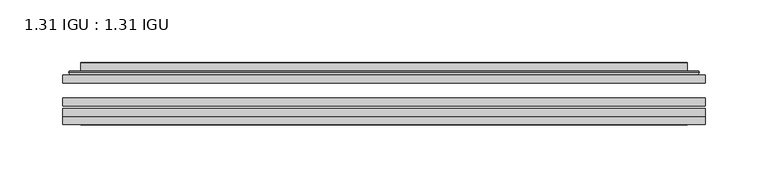
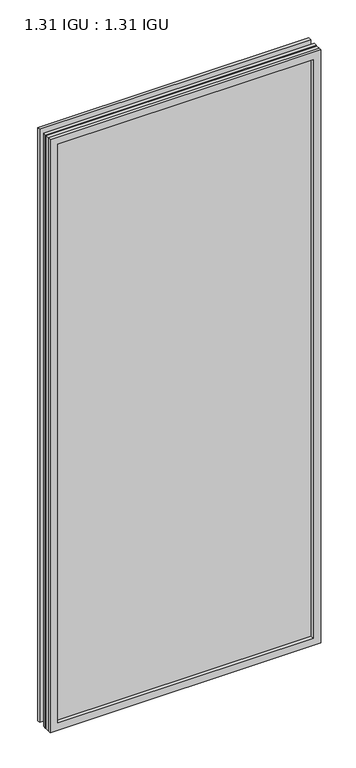
"""IFC4 building model written with IfcOpenShell, lengths in millimetres: plate geometry, 1.31 IGU : 1.31 IGU."""

import ifcopenshell
import ifcopenshell.guid

model = None  # the IFC model being written
_history = None  # IfcOwnerHistory: only IFC2X3 demands one
_inside = {}  # id of a spatial element -> (the spatial element, [elements in it])
_under = {}  # id of a project, library or spatial element -> (it, [spatial elements below it])
_declared = {}  # id of a project -> (the project, [libraries it declares])
_typed = {}  # id of a type object -> (the type object, [elements of that type])
_made_of = {}  # id of a material, layer set ... -> (it, [elements and type objects made of it])


def new_model(schema):
    """Start an empty IFC model of exactly this schema.

    Asked for "IFC4X3", IfcOpenShell would pick the latest addendum, in which some entities
    have other attributes; the version numbers below select the first issue.
    IFC2X3 requires an IfcOwnerHistory on every rooted entity: one is made here for all.
    """
    global model, _history
    if schema == "IFC4X3":
        model = ifcopenshell.file(schema_version=(4, 3, 0, 0))
    else:
        model = ifcopenshell.file(schema=schema)
    _inside.clear()
    _under.clear()
    _declared.clear()
    _typed.clear()
    _made_of.clear()
    _history = None
    if model.schema == "IFC2X3":
        org = make("IfcOrganization", Name="unknown")
        user = make(
            "IfcPersonAndOrganization",
            ThePerson=make("IfcPerson", FamilyName="unknown"),
            TheOrganization=org,
        )
        app = make(
            "IfcApplication",
            ApplicationDeveloper=org,
            Version="unknown",
            ApplicationFullName="unknown",
            ApplicationIdentifier="unknown",
        )
        _history = make(
            "IfcOwnerHistory",
            OwningUser=user,
            OwningApplication=app,
            ChangeAction="ADDED",
            CreationDate=0,
        )
    return model


def make(cls, **values):
    """One entity of the class cls with the attributes given. An attribute that is None is left unset."""
    return model.create_entity(
        cls, **{name: value for name, value in values.items() if value is not None}
    )


def rooted(cls, **values):
    """An entity with a GlobalId (a new one), such as an element, a storey or a relation."""
    return make(cls, GlobalId=ifcopenshell.guid.new(), OwnerHistory=_history, **values)


def si_unit(unit_type, name, prefix=None):
    """IfcSIUnit, for example si_unit("LENGTHUNIT", "METRE", prefix="MILLI")."""
    return make("IfcSIUnit", UnitType=unit_type, Prefix=prefix, Name=name)


def assignment(units):
    """IfcUnitAssignment: the units of a project."""
    return None if units is None else make("IfcUnitAssignment", Units=units)


def point(xyz):
    """IfcCartesianPoint."""
    return None if xyz is None else make("IfcCartesianPoint", Coordinates=xyz)


def direction(xyz):
    """IfcDirection."""
    return None if xyz is None else make("IfcDirection", DirectionRatios=xyz)


def frame(location, z_axis=None, x_axis=None):
    """IfcAxis2Placement3D, a coordinate frame: its origin and axes. An axis left out is left unset."""
    return make(
        "IfcAxis2Placement3D",
        Location=point(location),
        Axis=direction(z_axis),
        RefDirection=direction(x_axis),
    )


def origin():
    """The frame at (0, 0, 0) with its axes left unset."""
    return frame((0.0, 0.0, 0.0))


def place(relative_to, where):
    """IfcLocalPlacement: puts the frame where relative to a parent placement (None: the world)."""
    return make(
        "IfcLocalPlacement", PlacementRelTo=relative_to, RelativePlacement=where
    )


def context(
    kind, dimensions, precision=None, world=None, true_north=None, identifier=None
):
    """IfcGeometricRepresentationContext, for example the 3D "Model" context."""
    return make(
        "IfcGeometricRepresentationContext",
        ContextIdentifier=identifier,
        ContextType=kind,
        CoordinateSpaceDimension=dimensions,
        Precision=precision,
        WorldCoordinateSystem=world,
        TrueNorth=true_north,
    )


def project(units=None, contexts=None):
    """IfcProject with its units and contexts."""
    return rooted(
        "IfcProject",
        Name="project",
        RepresentationContexts=contexts,
        UnitsInContext=assignment(units),
    )


def spatial(cls, under=None, at=None, **own):
    """A site, building, storey or space (cls), placed at a placement, below another one or the project."""
    s = rooted(cls, ObjectPlacement=at, **own)
    if under is not None:
        _under.setdefault(under.id(), (under, []))[1].append(s)
    return s


def polyline(points):
    """IfcPolyline through the points."""
    return make("IfcPolyline", Points=[point(p) for p in points])


def ellipse_curve(where, semi_axis1, semi_axis2):
    """IfcEllipse in the frame where."""
    return make(
        "IfcEllipse", Position=where, SemiAxis1=semi_axis1, SemiAxis2=semi_axis2
    )


def outline(outer, holes=None, kind="AREA"):
    """IfcArbitraryClosedProfileDef: a profile drawn as a closed curve; with holes, ...WithVoids."""
    if holes is None:
        return make("IfcArbitraryClosedProfileDef", ProfileType=kind, OuterCurve=outer)
    return make(
        "IfcArbitraryProfileDefWithVoids",
        ProfileType=kind,
        OuterCurve=outer,
        InnerCurves=holes,
    )


def extrude(swept, where, along, depth):
    """IfcExtrudedAreaSolid: the profile swept, set in the frame where, extruded along a direction by depth."""
    return make(
        "IfcExtrudedAreaSolid",
        SweptArea=swept,
        Position=where,
        ExtrudedDirection=direction(along),
        Depth=depth,
    )


def faces_of(points, faces, orient=None, outer=None):
    """IfcFace entities. A face is a list of loops; a loop is a list of indices into points, from 0.

    orient and outer hold one flag for each loop. By default every Orientation is true, the
    first loop of a face is its IfcFaceOuterBound and the others are IfcFaceBound.
    """
    made = []
    for i, loops in enumerate(faces):
        bounds = []
        for j, loop in enumerate(loops):
            is_outer = j == 0 if outer is None else outer[i][j]
            bounds.append(
                make(
                    "IfcFaceOuterBound" if is_outer else "IfcFaceBound",
                    Bound=make("IfcPolyLoop", Polygon=[points[k] for k in loop]),
                    Orientation=True if orient is None else orient[i][j],
                )
            )
        made.append(make("IfcFace", Bounds=bounds))
    return made


def faceted_brep(points, faces, orient=None, outer=None, voids=None):
    """IfcFacetedBrep: a solid bounded by flat faces; with voids (closed shells), ...WithVoids."""
    shared = [point(p) for p in points]
    hull = make("IfcClosedShell", CfsFaces=faces_of(shared, faces, orient, outer))
    if voids is None:
        return make("IfcFacetedBrep", Outer=hull)
    return make(
        "IfcFacetedBrepWithVoids",
        Outer=hull,
        Voids=[
            make(cls, CfsFaces=faces_of(shared, fs, o, b)) for cls, fs, o, b in voids
        ],
    )


def shape(context_of_items, identifier, shape_type, items):
    """IfcShapeRepresentation: the items that make up one representation, for example the "Body"."""
    return make(
        "IfcShapeRepresentation",
        ContextOfItems=context_of_items,
        RepresentationIdentifier=identifier,
        RepresentationType=shape_type,
        Items=items,
    )


def source(mapping_origin, context_of_items, identifier, shape_type, items):
    """IfcRepresentationMap: a shape defined once, which mapped items show again and again."""
    return make(
        "IfcRepresentationMap",
        MappingOrigin=mapping_origin,
        MappedRepresentation=shape(context_of_items, identifier, shape_type, items),
    )


def transform(
    local_origin,
    x_axis=None,
    y_axis=None,
    z_axis=None,
    scale=None,
    scale2=None,
    scale3=None,
    uniform=True,
):
    """IfcCartesianTransformationOperator3D, or its non-uniform kind. x_axis, y_axis, z_axis: its Axis1, 2, 3."""
    if uniform:
        return make(
            "IfcCartesianTransformationOperator3D",
            Axis1=direction(x_axis),
            Axis2=direction(y_axis),
            LocalOrigin=point(local_origin),
            Scale=scale,
            Axis3=direction(z_axis),
        )
    return make(
        "IfcCartesianTransformationOperator3DnonUniform",
        Axis1=direction(x_axis),
        Axis2=direction(y_axis),
        LocalOrigin=point(local_origin),
        Scale=scale,
        Axis3=direction(z_axis),
        Scale2=scale2,
        Scale3=scale3,
    )


def mapped(mapping_source, mapping_target):
    """IfcMappedItem: shows the shape of a source again, moved by a transform."""
    return make(
        "IfcMappedItem", MappingSource=mapping_source, MappingTarget=mapping_target
    )


def made_of(thing, what):
    """Note that an element or type object is made of a material, layer set ...; save() writes the relation."""
    if what is not None:
        _made_of.setdefault(what.id(), (what, []))[1].append(thing)
    return thing


def element(
    cls,
    number,
    at=None,
    inside=None,
    cuts=None,
    type_object=None,
    material=None,
    context=None,
    identifier="Body",
    shape_type=None,
    held_by="IfcProductDefinitionShape",
    body=None,
    shapes=None,
    **own,
):
    """One element of the class cls, such as IfcWall. Its Tag is "e" and its number.

    at: its placement. inside: the storey or other place that contains it. cuts: it is an
    opening in that element (IfcRelVoidsElement). A single representation is given by context,
    identifier, shape_type and body (its items); several are given by shapes. held_by: the class
    of the entity that holds the representations. save() writes the other relations.
    """
    e = rooted(cls, Tag="e%d" % number, ObjectPlacement=at, **own)
    if body is not None:
        shapes = [shape(context, identifier, shape_type, body)]
    if shapes is not None:
        e.Representation = make(held_by, Representations=shapes)
    if inside is not None:
        _inside.setdefault(inside.id(), (inside, []))[1].append(e)
    if cuts is not None:
        rooted(
            "IfcRelVoidsElement", RelatingBuildingElement=cuts, RelatedOpeningElement=e
        )
    if type_object is not None:
        _typed.setdefault(type_object.id(), (type_object, []))[1].append(e)
    return made_of(e, material)


def aggregate(whole, parts):
    """IfcRelAggregates: a whole, such as a stair, and the parts it consists of."""
    return rooted("IfcRelAggregates", RelatingObject=whole, RelatedObjects=parts)


def save(model, path):
    """Write the relations noted so far, then the file.

    IfcRelAggregates (storeys below a building ...), IfcRelContainedInSpatialStructure (elements
    in a storey), IfcRelDefinesByType, IfcRelAssociatesMaterial and IfcRelDeclares: one each for
    every whole, place, type object, material and project.
    """
    for whole, parts in _under.values():
        aggregate(whole, parts)
    for where, things in _inside.values():
        rooted(
            "IfcRelContainedInSpatialStructure",
            RelatedElements=things,
            RelatingStructure=where,
        )
    for kind, things in _typed.values():
        rooted("IfcRelDefinesByType", RelatedObjects=things, RelatingType=kind)
    for what, things in _made_of.values():
        rooted("IfcRelAssociatesMaterial", RelatedObjects=things, RelatingMaterial=what)
    for by, libraries in _declared.values():
        rooted("IfcRelDeclares", RelatingContext=by, RelatedDefinitions=libraries)
    model.write(path)


def plane_surface(at):
    """IfcPlane: the flat surface through the origin of the frame at, square to its z axis."""
    return make("IfcPlane", Position=at)


def cylinder_surface(at, radius):
    """IfcCylindricalSurface: all points at the distance radius from the z axis of the frame at."""
    return make("IfcCylindricalSurface", Position=at, Radius=radius)


def advanced_brep(points, edges, surfaces, faces):
    """IfcAdvancedBrep: a solid bounded by faces that lie on surfaces and meet in shared edges.

    An edge is (start, end): straight between two places in points (the first is 0);
    or (start, end, curve); or (start, end, curve, False) where it runs against its curve.
    A face is (place in surfaces, loops), or (place, loops, False) where it looks against
    its surface's normal. A loop lists edges by number (the first is 1), with a minus sign
    where the edge is run from its end to its start. The first loop is the outer one.
    """
    corners = [point(p) for p in points]
    vertices = [make("IfcVertexPoint", VertexGeometry=c) for c in corners]
    made = []
    for start, end, *more in edges:
        made.append(
            make(
                "IfcEdgeCurve",
                EdgeStart=vertices[start],
                EdgeEnd=vertices[end],
                EdgeGeometry=more[0] if more else make("IfcPolyline", Points=[corners[start], corners[end]]),
                SameSense=more[1] if len(more) > 1 else True,
            )
        )
    hull = []
    for where, loops, *sense in faces:
        bounds = []
        for j, loop in enumerate(loops):
            ring = [make("IfcOrientedEdge", EdgeElement=made[abs(k) - 1], Orientation=k > 0) for k in loop]
            bounds.append(
                make(
                    "IfcFaceOuterBound" if j == 0 else "IfcFaceBound",
                    Bound=make("IfcEdgeLoop", EdgeList=ring),
                    Orientation=True,
                )
            )
        hull.append(make("IfcAdvancedFace", Bounds=bounds, FaceSurface=surfaces[where], SameSense=sense[0] if sense else True))
    return make("IfcAdvancedBrep", Outer=make("IfcClosedShell", CfsFaces=hull))


def plate_1_31_igu_1_31_igu_84c90da4(model_context):
    return source(origin(), model_context, "Body", "SolidModel", [
        extrude(outline(polyline([(255.601675, -63.59525), (255.601675, -69.94525), (-255.5875, -69.94525), (-255.5875, -63.59525), (255.601675, -63.59525)])), frame((0.0, 0.0, -14.2875), z_axis=(0.0, 0.0, 1.0), x_axis=(1.0, 0.0, 0.0)), (0.0, 0.0, 1.0), 1184.2787979),
        extrude(outline(polyline([(-255.5875, -78.58125), (-255.5875, -72.230745), (255.601675, -72.230745), (255.601675, -78.58125), (-255.5875, -78.58125)])), frame((0.0, 0.0, -14.2875), z_axis=(0.0, 0.0, 1.0), x_axis=(1.0, 0.0, 0.0)), (0.0, 0.0, 1.0), 1184.2787979),
        extrude(outline(polyline([(255.601675, -45.25645), (255.601675, -51.60645), (-255.5875, -51.60645), (-255.5875, -45.25645), (255.601675, -45.25645)])), frame((0.0, 0.0, -14.2875), z_axis=(0.0, 0.0, 1.0), x_axis=(1.0, 0.0, 0.0)), (0.0, 0.0, 1.0), 1184.2787979),
        faceted_brep([(-255.6002, -84.93125, 1170.0002), (-255.6002, -78.58125, 1170.0002), (-255.6002, -78.58125, -14.3002), (-255.6002, -84.93125, -14.3002), (255.6002, -78.58125, -14.3002), (255.6002, -84.93125, -14.3002), (255.6002, -78.58125, 1170.0002), (255.6002, -84.93125, 1170.0002), (-240.4022559, -78.58125, 0.8977441), (240.4022559, -78.58125, 0.8977441), (240.4022559, -78.58125, 1154.8022559), (-240.4022559, -78.58125, 1154.8022559), (-241.2946902, -84.93125, 1155.6946902), (241.2946902, -84.93125, 1155.6946902), (241.2946902, -84.93125, 0.0053098), (-241.2946902, -84.93125, 0.0053098)], [[[0, 1, 2, 3]], [[3, 2, 4, 5]], [[5, 4, 6, 7]], [[1, 6, 4, 2], [8, 9, 10, 11]], [[7, 6, 1, 0]], [[3, 5, 7, 0], [12, 13, 14, 15]], [[11, 12, 15, 8]], [[8, 15, 14, 9]], [[9, 14, 13, 10]], [[10, 13, 12, 11]]]),
        advanced_brep(
        [(-248.346219, -45.25645, 1162.746219), (-250.7004244, -43.2667833, 1165.1004244), (-250.7004244, -43.2667833, -9.4004244), (-248.346219, -45.25645, -7.046219), (-239.2718939, -41.416413, 1153.6718939), (-234.3370621, -45.25645, 1148.7370621), (-234.3370621, -45.25645, 6.9629379), (-239.2718939, -41.416413, 2.0281061), (-240.3039217, -36.0191819, 1154.7039217), (-240.3039217, -36.0191819, 0.9960783), (-241.2945784, -35.6202069, 1155.6945784), (-241.2945784, -35.6202069, 0.0054216), (-241.2945784, -42.08145, 1155.6945784), (-241.2945784, -42.08145, 0.0054216), (-249.6986349, -42.08145, 1164.0986349), (-249.6986349, -42.08145, -8.3986349), (250.7004244, -43.2667833, -9.4004244), (248.346219, -45.25645, -7.046219), (234.3370621, -45.25645, 6.9629379), (239.2718939, -41.416413, 2.0281061), (240.3039217, -36.0191819, 0.9960783), (241.2945784, -35.6202069, 0.0054216), (241.2945784, -42.08145, 0.0054216), (249.6986349, -42.08145, -8.3986349), (250.7004244, -43.2667833, 1165.1004244), (248.346219, -45.25645, 1162.746219), (234.3370621, -45.25645, 1148.7370621), (239.2718939, -41.416413, 1153.6718939), (240.3039217, -36.0191819, 1154.7039217), (241.2945784, -35.6202069, 1155.6945784), (241.2945784, -42.08145, 1155.6945784), (249.6986349, -42.08145, 1164.0986349)],
        [
            (0, 1, ellipse_curve(frame((-248.346219, -42.86885, 1162.746219), z_axis=(-0.7071067811865475, 0.0, -0.7071067811865475), x_axis=(-0.7071067811865474, 0.0, 0.7071067811865476)), 3.3765763, 2.3876)),
            (1, 2),
            (2, 3, ellipse_curve(frame((-248.346219, -42.86885, -7.046219), z_axis=(-0.7071067811865475, 0.0, 0.7071067811865475), x_axis=(0.7071067811865474, 0.0, 0.7071067811865476)), 3.3765763, 2.3876)),
            (3, 0),
            (4, 5),
            (5, 6),
            (6, 7),
            (7, 4),
            (8, 4),
            (7, 9),
            (9, 8),
            (10, 8, ellipse_curve(frame((-240.9276219, -36.1384423, 1155.3276219), z_axis=(-0.7071067811865475, 0.0, -0.7071067811865475), x_axis=(-0.7071067811865474, 0.0, 0.7071067811865476)), 0.8980256, 0.635)),
            (9, 11, ellipse_curve(frame((-240.9276219, -36.1384423, 0.3723781), z_axis=(-0.7071067811865475, 0.0, 0.7071067811865475), x_axis=(0.7071067811865474, 0.0, 0.7071067811865476)), 0.8980256, 0.635)),
            (11, 10),
            (12, 10),
            (11, 13),
            (13, 12),
            (1, 14, ellipse_curve(frame((-249.6986349, -43.09745, 1164.0986349), z_axis=(-0.7071067811865475, 0.0, -0.7071067811865475), x_axis=(-0.7071067811865474, 0.0, 0.7071067811865476)), 1.436841, 1.016)),
            (14, 15),
            (15, 2, ellipse_curve(frame((-249.6986349, -43.09745, -8.3986349), z_axis=(-0.7071067811865475, 0.0, 0.7071067811865475), x_axis=(0.7071067811865474, 0.0, 0.7071067811865476)), 1.436841, 1.016)),
            (2, 16),
            (16, 17, ellipse_curve(frame((248.346219, -42.86885, -7.046219), z_axis=(-0.7071067811865475, 0.0, -0.7071067811865475), x_axis=(-0.7071067811865476, 0.0, 0.7071067811865474)), 3.3765763, 2.3876)),
            (17, 3),
            (6, 18),
            (18, 19),
            (19, 7),
            (19, 20),
            (20, 9),
            (20, 21, ellipse_curve(frame((240.9276219, -36.1384423, 0.3723781), z_axis=(-0.7071067811865475, 0.0, -0.7071067811865475), x_axis=(-0.7071067811865476, 0.0, 0.7071067811865474)), 0.8980256, 0.635)),
            (21, 11),
            (21, 22),
            (22, 13),
            (15, 23),
            (23, 16, ellipse_curve(frame((249.6986349, -43.09745, -8.3986349), z_axis=(-0.7071067811865475, 0.0, -0.7071067811865475), x_axis=(-0.7071067811865476, 0.0, 0.7071067811865474)), 1.436841, 1.016)),
            (16, 24),
            (24, 25, ellipse_curve(frame((248.346219, -42.86885, 1162.746219), z_axis=(0.7071067811865475, 0.0, -0.7071067811865475), x_axis=(-0.7071067811865474, 0.0, -0.7071067811865476)), 3.3765763, 2.3876)),
            (25, 17),
            (18, 26),
            (26, 27),
            (27, 19),
            (27, 28),
            (28, 20),
            (28, 29, ellipse_curve(frame((240.9276219, -36.1384423, 1155.3276219), z_axis=(0.7071067811865475, 0.0, -0.7071067811865475), x_axis=(-0.7071067811865474, 0.0, -0.7071067811865476)), 0.8980256, 0.635)),
            (29, 21),
            (29, 30),
            (30, 22),
            (23, 31),
            (31, 24, ellipse_curve(frame((249.6986349, -43.09745, 1164.0986349), z_axis=(0.7071067811865475, 0.0, -0.7071067811865475), x_axis=(-0.7071067811865474, 0.0, -0.7071067811865476)), 1.436841, 1.016)),
            (24, 1),
            (0, 25),
            (5, 26),
            (4, 27),
            (8, 28),
            (10, 29),
            (12, 30),
            (14, 31),
        ],
        [
            cylinder_surface(frame((-248.346219, -42.86885, 1187.45), z_axis=(0.0, 0.0, 1.0), x_axis=(-1.0, 0.0, 0.0)), 2.3876),
            plane_surface(frame((-234.3370621, -45.25645, 1148.7370621), z_axis=(0.6141233906514794, 0.7892100234124821, 0.0), x_axis=(0.0, 0.0, -1.0))),
            plane_surface(frame((-239.2718939, -41.416413, 1153.6718939), z_axis=(0.9822050625507729, 0.18781164793386076, 0.0), x_axis=(0.0, 0.0, -1.0))),
            cylinder_surface(frame((-240.9276219, -36.1384423, 1187.45), z_axis=(0.0, 0.0, 1.0), x_axis=(-1.0, 0.0, 0.0)), 0.635),
            plane_surface(frame((-241.2945784, -35.6202069, 1155.6945784), z_axis=(-1.0, 0.0, 0.0), x_axis=(0.0, 0.0, -1.0))),
            cylinder_surface(frame((-249.6986349, -43.09745, 1187.45), z_axis=(0.0, 0.0, 1.0), x_axis=(-1.0, 0.0, 0.0)), 1.016),
            cylinder_surface(frame((-273.05, -42.86885, -7.046219), z_axis=(-1.0, 0.0, 0.0), x_axis=(0.0, 0.0, -1.0)), 2.3876),
            plane_surface(frame((-234.3370621, -45.25645, 6.9629379), z_axis=(0.0, 0.7892100234124841, 0.6141233906514768), x_axis=(1.0, 0.0, 0.0))),
            plane_surface(frame((-239.2718939, -41.416413, 2.0281061), z_axis=(0.0, 0.18781164793386393, 0.9822050625507723), x_axis=(1.0, 0.0, 0.0))),
            cylinder_surface(frame((-273.05, -36.1384423, 0.3723781), z_axis=(-1.0, 0.0, 0.0), x_axis=(0.0, 0.0, -1.0)), 0.635),
            plane_surface(frame((-241.2945784, -35.6202069, 0.0054216), z_axis=(0.0, 0.0, -1.0), x_axis=(1.0, 0.0, 0.0))),
            cylinder_surface(frame((-273.05, -43.09745, -8.3986349), z_axis=(-1.0, 0.0, 0.0), x_axis=(0.0, 0.0, -1.0)), 1.016),
            cylinder_surface(frame((248.346219, -42.86885, -31.75), z_axis=(0.0, 0.0, -1.0), x_axis=(1.0, 0.0, 0.0)), 2.3876),
            plane_surface(frame((234.3370621, -45.25645, 6.9629379), z_axis=(-0.6141233906514743, 0.7892100234124861, 0.0), x_axis=(0.0, 0.0, 1.0))),
            plane_surface(frame((239.2718939, -41.416413, 2.0281061), z_axis=(-0.9822050625507718, 0.1878116479338671, 0.0), x_axis=(0.0, 0.0, 1.0))),
            cylinder_surface(frame((240.9276219, -36.1384423, -31.75), z_axis=(0.0, 0.0, -1.0), x_axis=(1.0, 0.0, 0.0)), 0.635),
            plane_surface(frame((241.2945784, -35.6202069, 0.0054216), z_axis=(1.0, 0.0, 0.0), x_axis=(0.0, 0.0, 1.0))),
            cylinder_surface(frame((249.6986349, -43.09745, -31.75), z_axis=(0.0, 0.0, -1.0), x_axis=(1.0, 0.0, 0.0)), 1.016),
            cylinder_surface(frame((273.05, -42.86885, 1162.746219), z_axis=(1.0, 0.0, 0.0), x_axis=(0.0, 0.0, 1.0)), 2.3876),
            plane_surface(frame((248.346219, -45.25645, 1162.746219), z_axis=(0.0, -1.0, 0.0), x_axis=(-1.0, 0.0, 0.0))),
            plane_surface(frame((234.3370621, -45.25645, 1148.7370621), z_axis=(0.0, 0.7892100234124841, -0.6141233906514768), x_axis=(-1.0, 0.0, 0.0))),
            plane_surface(frame((239.2718939, -41.416413, 1153.6718939), z_axis=(0.0, 0.18781164793386393, -0.9822050625507723), x_axis=(-1.0, 0.0, 0.0))),
            cylinder_surface(frame((273.05, -36.1384423, 1155.3276219), z_axis=(1.0, 0.0, 0.0), x_axis=(0.0, 0.0, 1.0)), 0.635),
            plane_surface(frame((241.2945784, -35.6202069, 1155.6945784), z_axis=(0.0, 0.0, 1.0), x_axis=(-1.0, 0.0, 0.0))),
            plane_surface(frame((241.2945784, -42.08145, 1155.6945784), z_axis=(0.0, 1.0, 0.0), x_axis=(-1.0, 0.0, 0.0))),
            cylinder_surface(frame((273.05, -43.09745, 1164.0986349), z_axis=(1.0, 0.0, 0.0), x_axis=(0.0, 0.0, 1.0)), 1.016),
        ],
        [
            (0, [[1, 2, 3, 4]]),
            (1, [[5, 6, 7, 8]]),
            (2, [[9, -8, 10, 11]]),
            (3, [[12, -11, 13, 14]]),
            (4, [[15, -14, 16, 17]]),
            (5, [[18, 19, 20, -2]]),
            (6, [[-3, 21, 22, 23]]),
            (7, [[-7, 24, 25, 26]]),
            (8, [[-10, -26, 27, 28]]),
            (9, [[-13, -28, 29, 30]]),
            (10, [[-16, -30, 31, 32]]),
            (11, [[-20, 33, 34, -21]]),
            (12, [[-22, 35, 36, 37]]),
            (13, [[-25, 38, 39, 40]]),
            (14, [[-27, -40, 41, 42]]),
            (15, [[-29, -42, 43, 44]]),
            (16, [[-31, -44, 45, 46]]),
            (17, [[-34, 47, 48, -35]]),
            (18, [[-36, 49, -1, 50]]),
            (19, [[-23, -37, -50, -4], [51, -38, -24, -6]]),
            (20, [[-39, -51, -5, 52]]),
            (21, [[-41, -52, -9, 53]]),
            (22, [[-43, -53, -12, 54]]),
            (23, [[-45, -54, -15, 55]]),
            (24, [[56, -47, -33, -19], [-32, -46, -55, -17]]),
            (25, [[-48, -56, -18, -49]]),
        ],
    ),
    ])


if __name__ == "__main__":
    model = new_model("IFC4")
    model_context = context("Model", 3, world=origin())
    ifc_project = project(units=[si_unit("LENGTHUNIT", "METRE", prefix="MILLI")], contexts=[model_context])
    site = spatial("IfcSite", under=ifc_project)
    building = spatial("IfcBuilding", under=site)
    placement = place(None, origin())
    plate_1_31_igu_1_31_igu_shape = plate_1_31_igu_1_31_igu_84c90da4(model_context)
    element("IfcPlate", 1, ObjectType="1.31 IGU : 1.31 IGU", at=placement, inside=building, context=model_context, shape_type="MappedRepresentation", body=[
        mapped(plate_1_31_igu_1_31_igu_shape, transform((0.0, 0.0, 0.0), x_axis=(1.0, 0.0, 0.0), y_axis=(0.0, 1.0, 0.0), z_axis=(0.0, 0.0, 1.0))),
    ])
    save(model, "model.ifc")
